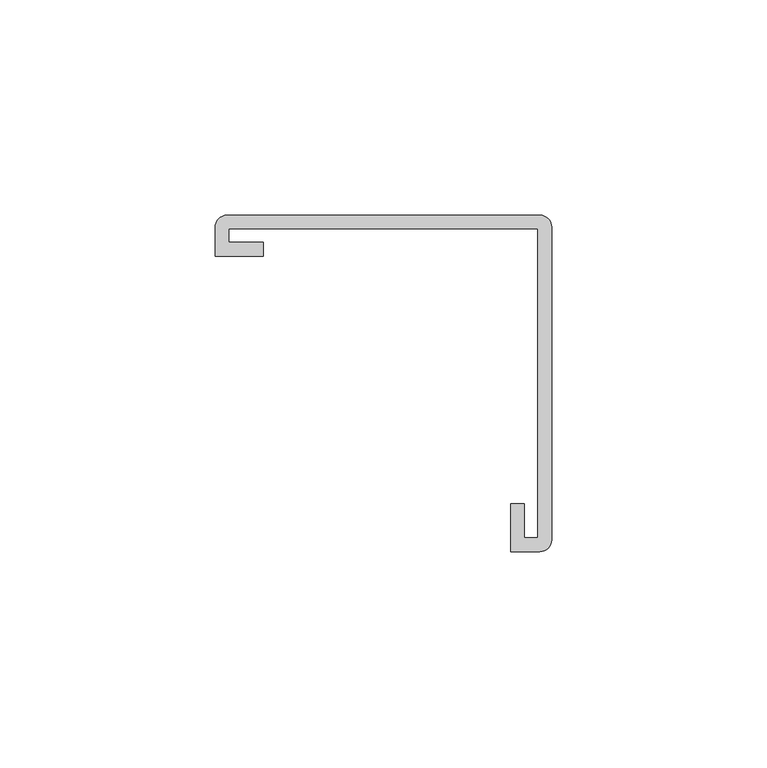
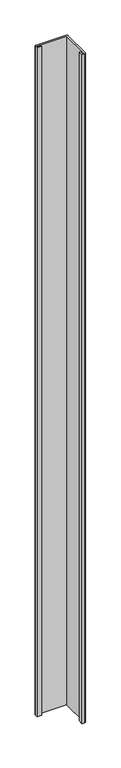
"""IFC4 building model written with IfcOpenShell, lengths in millimetres: furniture geometry."""

from ifc_helpers import new_model, si_unit, point, frame, frame_2d, origin, place, context, project, spatial, polyline, circle_curve, trimmed, segment, composite_curve, outline, extrude, source, transform, mapped, element, save


def furniture_3cecde15(model_context):
    return source(origin(), model_context, "Body", "SweptSolid", [
        extrude(outline(composite_curve([segment(polyline([(-39.0921875, 29.5671875), (-39.0921875, 36.3108875)]), True, "CONTINUOUS"), segment(trimmed(circle_curve(frame_2d((-36.3108875, 36.3108875)), 2.7813), [point((-39.0921875, 36.3108875))], [point((-36.3108875, 39.0921875))], False, "CARTESIAN"), True, "CONTINUOUS"), segment(polyline([(-36.3108875, 39.0921875), (36.3331141, 39.0921875)]), True, "CONTINUOUS"), segment(trimmed(circle_curve(frame_2d((36.3331141, 36.3330253)), 2.7591622), [point((36.3331141, 39.0921875))], [point((39.0921875, 36.3108875))], False, "CARTESIAN"), True, "CONTINUOUS"), segment(polyline([(39.0921875, 36.3108875), (39.0921875, -36.3331141)]), True, "CONTINUOUS"), segment(trimmed(circle_curve(frame_2d((36.3331141, -36.3331141)), 2.7590734), [point((39.0921875, -36.3331141))], [point((36.3331141, -39.0921875))], False, "CARTESIAN"), True, "CONTINUOUS"), segment(polyline([(36.3331141, -39.0921875), (29.5671875, -39.0921875), (29.5671875, -27.9638121), (32.7421875, -27.9638121), (32.7421875, -35.9171875), (35.9171875, -35.9171875), (35.9171875, 35.9171875), (-35.9171875, 35.9171875), (-35.9171875, 32.7421875), (-27.9161879, 32.7421875), (-27.9161879, 29.5671875), (-39.0921875, 29.5671875)]), True, "CONTINUOUS")], self_intersect=False)), frame((0.0, 0.0, 14.2875), z_axis=(0.0, 0.0, 1.0), x_axis=(1.0, 0.0, 0.0)), (0.0, 0.0, 1.0), 1694.8546875),
    ])


if __name__ == "__main__":
    model = new_model("IFC4")
    model_context = context("Model", 3, world=origin())
    ifc_project = project(units=[si_unit("LENGTHUNIT", "METRE", prefix="MILLI")], contexts=[model_context])
    site = spatial("IfcSite", under=ifc_project)
    building = spatial("IfcBuilding", under=site)
    placement = place(None, origin())
    furniture_shape = furniture_3cecde15(model_context)
    element("IfcFurniture", 1, at=placement, inside=building, context=model_context, shape_type="MappedRepresentation", body=[
        mapped(furniture_shape, transform((0.0, 0.0, 0.0), x_axis=(1.0, 0.0, 0.0), y_axis=(0.0, 1.0, 0.0), z_axis=(0.0, 0.0, 1.0))),
    ])
    save(model, "model.ifc")
